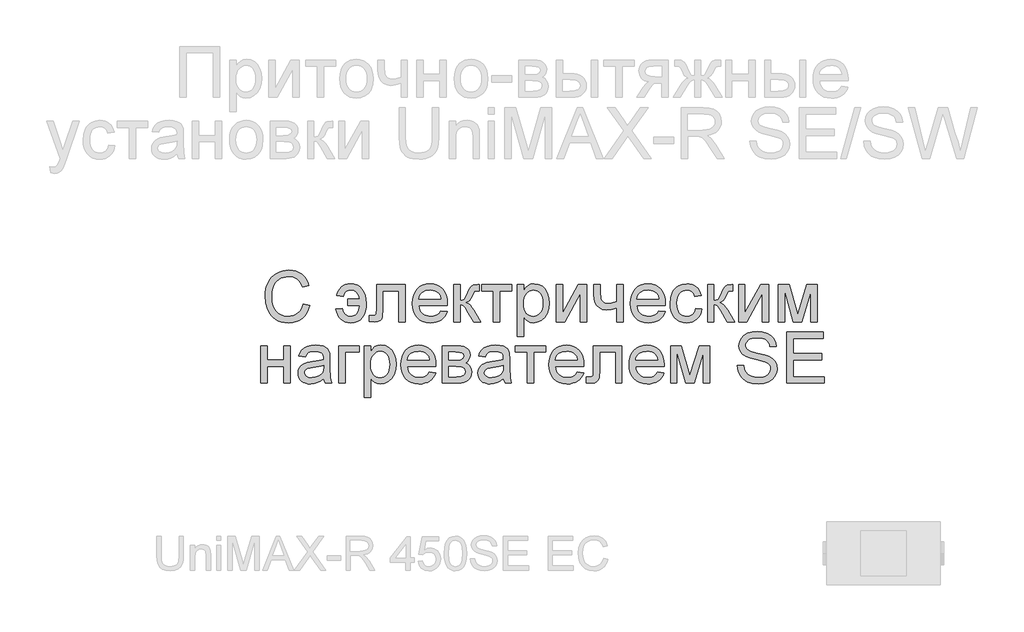
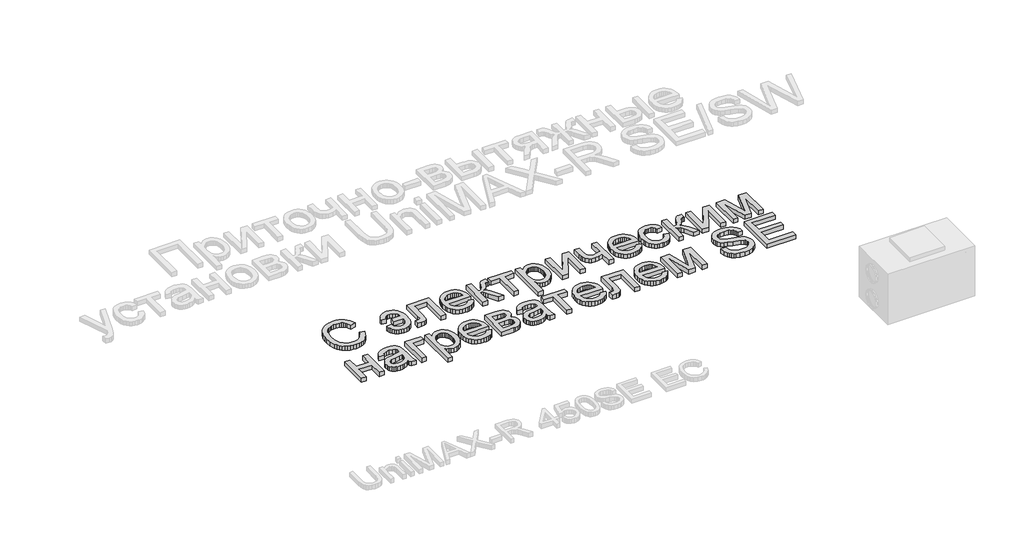
# One storey, part 52 of 74: 1 proxy.
"""IFC4 building model written with IfcOpenShell, lengths in millimetres."""

from ifc_helpers import new_model, si_unit, origin, origin_with_axes, place, context, project, spatial, polyline, outline, extrude, element, save

model = new_model("IFC4")

# Units and contexts
model_context = context("Model", 3, world=origin())
ifc_project = project(units=[si_unit("LENGTHUNIT", "METRE", prefix="MILLI")], contexts=[model_context])

# Site, building, storey
site = spatial("IfcSite", under=ifc_project)
building = spatial("IfcBuilding", under=site)
storey = spatial("IfcBuildingStorey", under=building, Elevation=0.0)

# Proxy
placement = place(None, origin())
element("IfcBuildingElementProxy", 1, Name="Generic Models", at=placement, inside=storey, context=model_context, shape_type="SweptSolid", body=[
    extrude(outline(polyline([(57457.0229457, -25678.9298031), (57513.2299636, -25693.4206749), (57502.107945, -25728.3751002), (57487.2945965, -25758.9177687), (57468.7899178, -25785.0486803), (57446.5939092, -25806.7678349), (57421.2074387, -25823.8419516), (57393.1313747, -25836.0377492), (57362.3657169, -25843.3552278), (57328.9104656, -25845.7943874), (57294.6352999, -25843.9487223), (57263.7152649, -25838.4117273), (57236.1503609, -25829.1834022), (57211.9405876, -25816.2637471), (57190.7531766, -25799.8448758), (57172.2553592, -25780.1189021), (57156.4471354, -25757.0858261), (57143.3285053, -25730.7456477), (57125.6677553, -25672.699826), (57119.7808386, -25610.5372794), (57121.4446816, -25576.6360495), (57126.4362106, -25544.9715735), (57134.7554256, -25515.5438514), (57146.4023266, -25488.3528832), (57161.1161876, -25463.848078), (57178.6362828, -25442.4788449), (57198.9626122, -25424.2451841), (57222.0951758, -25409.1470953), (57247.2483652, -25397.3080805), (57273.6365721, -25388.8516414), (57301.2597964, -25383.7777779), (57330.1180382, -25382.0864901), (57362.2662294, -25384.2752155), (57391.7454106, -25390.8413918), (57418.5555818, -25401.7850189), (57442.6967429, -25417.1060969), (57463.770944, -25436.3998145), (57481.380235, -25459.2613603), (57495.5246157, -25485.6907344), (57506.2040863, -25515.6879368), (57449.9970685, -25529.0810153), (57430.5112371, -25488.0921573), (57418.0924502, -25472.4245883), (57403.8897492, -25459.9749259), (57387.8207995, -25450.4893056), (57369.8032667, -25443.7138624), (57327.9224516, -25438.2935079), (57302.7075113, -25439.7961125), (57279.6469905, -25444.3039263), (57258.740889, -25451.8169494), (57239.9892069, -25462.3351816), (57223.6286558, -25475.3851996), (57209.8959476, -25490.4935802), (57198.791082, -25507.6603232), (57190.3140593, -25526.8854286), (57179.5694072, -25568.0252332), (57175.9878565, -25610.4275001), (57180.2280832, -25662.353124), (57192.9487632, -25707.2528707), (57202.6093444, -25726.6392146), (57214.6301812, -25743.4114381), (57229.0112737, -25757.5695413), (57245.7526218, -25769.1135241), (57283.0638722, -25784.4689082), (57323.3117197, -25789.5873695), (57347.7479128, -25787.8446226), (57370.2286616, -25782.6163819), (57390.753966, -25773.9026475), (57409.3238261, -25761.7034192), (57425.4991245, -25746.0735869), (57438.8407439, -25727.0680401), (57449.3486843, -25704.6867788), (57457.0229457, -25678.9298031)])), origin_with_axes(), (0.0, 0.0, 1.0), 50.0),
    extrude(outline(polyline([(57850.4720707, -25635.0180704), (57955.8602292, -25635.0180704), (57947.2013844, -25603.8819074), (57930.4463139, -25579.1952802), (57906.692811, -25563.0988857), (57877.038669, -25557.7334209), (57851.4600847, -25561.2463595), (57831.4802463, -25571.7851753), (57817.0991538, -25589.3498684), (57808.3168073, -25613.9404387), (57752.1097895, -25606.9145615), (57757.1150409, -25584.7562895), (57765.2146972, -25564.7181308), (57776.4087584, -25546.8000855), (57790.6972246, -25531.0021536), (57807.7576188, -25518.1065127), (57827.2674644, -25508.8953407), (57849.2267614, -25503.3686374), (57873.6355097, -25501.526403), (57904.0066479, -25504.394388), (57931.0089329, -25512.9983432), (57954.6423647, -25527.3382684), (57974.9069432, -25547.4141637), (57991.1645761, -25572.5124634), (58002.7771711, -25601.9196019), (58009.744728, -25635.6355791), (58012.067247, -25673.6603952), (58010.5886566, -25711.2735387), (58004.3964162, -25745.0718505), (57993.4905257, -25775.0553305), (57977.8709852, -25801.2239787), (57958.045524, -25822.2055534), (57934.5218716, -25836.6278132), (57907.3000279, -25844.4907578), (57876.379993, -25845.7943874), (57850.1427327, -25843.7394555), (57826.5401764, -25837.5746599), (57805.572324, -25827.3000006), (57787.2391756, -25812.9154775), (57771.8426243, -25795.1758236), (57759.6845633, -25774.8357718), (57750.7649926, -25751.8953221), (57745.0839122, -25726.3544744), (57801.2909301, -25719.3285972), (57810.1693335, -25750.0668101), (57825.4972727, -25772.0226764), (57847.2747477, -25785.1961962), (57875.5017583, -25789.5873695), (57892.359747, -25788.0504589), (57907.25543, -25783.4397269), (57920.1888076, -25775.7551737), (57931.1598795, -25764.9967992), (57947.3248861, -25734.2585863), (57955.8602292, -25691.2250883), (57850.4720707, -25691.2250883), (57850.4720707, -25635.0180704)])), origin_with_axes(), (0.0, 0.0, 1.0), 50.0),
    extrude(outline(polyline([(58103.403651, -25508.5522802), (58356.3352314, -25508.5522802), (58356.3352314, -25838.4391721), (58300.1282135, -25838.4391721), (58300.1282135, -25564.7592981), (58159.6106689, -25564.7592981), (58159.6106689, -25722.2926391), (58155.8232819, -25794.9665568), (58148.7287926, -25811.4197341), (58135.0200986, -25825.64988), (58114.2169152, -25835.4888526), (58085.8389579, -25838.7685101), (58040.1707559, -25835.9142475), (58040.1707559, -25782.5614923), (58065.3102229, -25782.5614923), (58090.7241382, -25779.1034433), (58097.077617, -25774.6299356), (58100.8787264, -25768.1255101), (58103.403651, -25719.1090385), (58103.403651, -25508.5522802)])), origin_with_axes(), (0.0, 0.0, 1.0), 50.0),
    extrude(outline(polyline([(58671.8410308, -25740.4062289), (58726.9502553, -25747.4321061), (58718.5006774, -25769.504613), (58707.0939187, -25788.9561383), (58692.7299793, -25805.7866821), (58675.4088591, -25819.9962444), (58655.3089495, -25831.2829319), (58632.6086421, -25839.3448516), (58607.3079367, -25844.1820034), (58579.4068335, -25845.7943874), (58544.531312, -25843.0121674), (58513.4568999, -25834.6655076), (58486.1835972, -25820.7544079), (58462.7114038, -25801.2788683), (58443.83622, -25776.7809243), (58430.3539458, -25747.8026114), (58422.2645813, -25714.3439294), (58419.5681264, -25676.4048785), (58422.2920261, -25637.179351), (58430.4637251, -25602.6057227), (58444.0832235, -25572.6839936), (58463.1505211, -25547.4141637), (58486.5609636, -25527.3382684), (58513.2098964, -25512.9983432), (58543.0973195, -25504.394388), (58576.2232328, -25501.526403), (58608.2822283, -25504.3875268), (58637.2742637, -25512.9708983), (58663.199339, -25527.2765175), (58686.0574542, -25547.3043843), (58704.71651, -25572.5193246), (58718.044407, -25602.386164), (58726.0411452, -25636.9049027), (58728.7067246, -25676.0755405), (58728.3773866, -25691.2250883), (58475.7751443, -25691.2250883), (58479.0307876, -25713.654378), (58485.5043376, -25733.2980171), (58495.1957942, -25750.1560058), (58508.1051575, -25764.2283439), (58523.5188618, -25775.3229176), (58540.7233414, -25783.2476131), (58559.7185964, -25788.0024304), (58580.5046268, -25789.5873695), (58610.4194947, -25786.6507724), (58635.6138513, -25777.840981), (58656.0876967, -25762.6090987), (58671.8410308, -25740.4062289)]), holes=[polyline([(58475.7751443, -25635.0180704), (58672.4997068, -25635.0180704), (58664.8974881, -25605.3227612), (58649.9949438, -25584.0804605), (58634.6670046, -25572.5536306), (58617.2258132, -25564.3201808), (58597.6713698, -25559.3801108), (58576.0036742, -25557.7334209), (58538.1160823, -25562.9891064), (58506.7878055, -25578.7561629), (58494.331282, -25590.1560604), (58485.0103306, -25603.3330108), (58478.8249514, -25618.2870141), (58475.7751443, -25635.0180704)])]), origin_with_axes(), (0.0, 0.0, 1.0), 50.0),
    extrude(outline(polyline([(58784.9137425, -25508.5522802), (58841.1207603, -25508.5522802), (58841.1207603, -25649.0698249), (58863.9823062, -25646.5449002), (58878.7750711, -25638.9701263), (58891.8662564, -25619.2098466), (58909.6230633, -25580.1284045), (58923.9355437, -25548.1688966), (58935.2565373, -25529.3554636), (58945.822798, -25519.1048185), (58957.8710796, -25512.8336742), (58998.9834394, -25508.5522802), (59009.7418139, -25508.5522802), (59009.7418139, -25565.0886361), (58994.5922661, -25564.7592981), (58977.027573, -25566.2413191), (58967.1474332, -25570.687382), (58947.8262708, -25607.6830168), (58935.9563805, -25632.3421992), (58925.1568388, -25647.6975832), (58912.0793759, -25657.9482283), (58893.3757222, -25667.2931939), (58911.1874188, -25675.204167), (58928.8344464, -25689.1667258), (58946.316805, -25709.1808702), (58963.6344946, -25735.2466003), (59023.7935684, -25838.7685101), (58959.9019973, -25838.7685101), (58900.9504961, -25737.4421869), (58885.032493, -25710.4776386), (58871.3100766, -25694.5733579), (58857.4504359, -25686.7927477), (58841.1207603, -25684.199211), (58841.1207603, -25838.7685101), (58784.9137425, -25838.7685101), (58784.9137425, -25508.5522802)])), origin_with_axes(), (0.0, 0.0, 1.0), 50.0),
    extrude(outline(polyline([(59030.8194456, -25508.5522802), (59297.8027804, -25508.5522802), (59297.8027804, -25564.7592981), (59192.4146219, -25564.7592981), (59192.4146219, -25838.7685101), (59136.2076041, -25838.7685101), (59136.2076041, -25564.7592981), (59030.8194456, -25564.7592981), (59030.8194456, -25508.5522802)])), origin_with_axes(), (0.0, 0.0, 1.0), 50.0),
    extrude(outline(polyline([(59346.983921, -25965.2343003), (59346.983921, -25508.5522802), (59403.1909389, -25508.5522802), (59403.1909389, -25563.6615048), (59421.5240873, -25536.4773978), (59442.0528223, -25517.0601784), (59465.9847166, -25505.4098469), (59494.5273429, -25501.526403), (59532.5384365, -25506.9604799), (59565.7741292, -25523.2627107), (59592.8347344, -25549.4450813), (59612.3205658, -25584.5195778), (59624.0943992, -25625.9338307), (59628.0190103, -25671.1354706), (59623.5866697, -25719.2050954), (59610.2896482, -25762.1974262), (59588.5533405, -25797.9305987), (59558.8031416, -25824.2227487), (59524.15404, -25840.4014777), (59487.7210243, -25845.7943874), (59461.8817141, -25842.1853918), (59438.814332, -25831.3584052), (59419.0677747, -25815.0150072), (59403.1909389, -25794.8567774), (59403.1909389, -25965.2343003), (59346.983921, -25965.2343003)]), holes=[polyline([(59403.1909389, -25676.2950991), (59404.7106965, -25703.3831492), (59409.2699694, -25726.6838124), (59416.8687575, -25746.1970886), (59427.5070608, -25761.9229779), (59440.313506, -25774.0261492), (59454.4167195, -25782.6712716), (59469.8167014, -25787.858345), (59486.5134517, -25789.5873695), (59503.4503442, -25787.7965942), (59519.1316356, -25782.4242681), (59533.5573259, -25773.4703914), (59546.7274151, -25760.9349639), (59557.7019177, -25744.6395944), (59565.5408481, -25724.4058913), (59570.2442063, -25700.2338547), (59571.8119924, -25672.1234845), (59570.281943, -25645.2687155), (59565.6917947, -25622.0092196), (59558.0415475, -25602.3449968), (59547.3312014, -25586.2760471), (59534.4938808, -25573.7886481), (59520.46271, -25564.8690774), (59505.2376889, -25559.517335), (59488.8188176, -25557.7334209), (59472.4514054, -25559.6305449), (59457.0514235, -25565.3219172), (59442.618872, -25574.8075376), (59429.1537508, -25588.0874061), (59417.7950206, -25604.9831314), (59409.6816418, -25625.316322), (59404.8136146, -25649.0869779), (59403.1909389, -25676.2950991)])]), origin_with_axes(), (0.0, 0.0, 1.0), 50.0),
    extrude(outline(polyline([(59691.2519054, -25508.5522802), (59747.4589232, -25508.5522802), (59747.4589232, -25760.3860673), (59885.5613225, -25508.5522802), (59958.2352401, -25508.5522802), (59958.2352401, -25838.7685101), (59902.0282223, -25838.7685101), (59902.0282223, -25588.4716337), (59764.8040576, -25838.7685101), (59691.2519054, -25838.7685101), (59691.2519054, -25508.5522802)])), origin_with_axes(), (0.0, 0.0, 1.0), 50.0),
    extrude(outline(polyline([(60021.4681352, -25508.5522802), (60077.6751531, -25508.5522802), (60077.6751531, -25571.8949547), (60082.2309954, -25631.2855731), (60089.9841607, -25648.548373), (60104.131972, -25663.4509173), (60123.6726931, -25673.7427297), (60147.6045874, -25677.1733338), (60181.9929631, -25672.9193847), (60225.2185749, -25660.1575374), (60225.2185749, -25508.5522802), (60281.4255928, -25508.5522802), (60281.4255928, -25838.7685101), (60225.2185749, -25838.7685101), (60225.2185749, -25714.0591893), (60177.245007, -25728.5500611), (60132.564819, -25733.3803516), (60098.5743934, -25728.3442248), (60068.8379169, -25713.2358443), (60045.6607555, -25690.8271382), (60031.3482751, -25663.8900347), (60023.9381702, -25633.2341563), (60021.4681352, -25599.6691256), (60021.4681352, -25508.5522802)])), origin_with_axes(), (0.0, 0.0, 1.0), 50.0),
    extrude(outline(polyline([(60596.9313922, -25740.4062289), (60652.0406168, -25747.4321061), (60643.5910388, -25769.504613), (60632.1842801, -25788.9561383), (60617.8203407, -25805.7866821), (60600.4992205, -25819.9962444), (60580.399311, -25831.2829319), (60557.6990035, -25839.3448516), (60532.3982982, -25844.1820034), (60504.4971949, -25845.7943874), (60469.6216734, -25843.0121674), (60438.5472614, -25834.6655076), (60411.2739586, -25820.7544079), (60387.8017653, -25801.2788683), (60368.9265814, -25776.7809243), (60355.4443072, -25747.8026114), (60347.3549427, -25714.3439294), (60344.6584879, -25676.4048785), (60347.3823876, -25637.179351), (60355.5540866, -25602.6057227), (60369.1735849, -25572.6839936), (60388.2408826, -25547.4141637), (60411.6513251, -25527.3382684), (60438.3002579, -25512.9983432), (60468.1876809, -25504.394388), (60501.3135943, -25501.526403), (60533.3725898, -25504.3875268), (60562.3646251, -25512.9708983), (60588.2897005, -25527.2765175), (60611.1478157, -25547.3043843), (60629.8068715, -25572.5193246), (60643.1347685, -25602.386164), (60651.1315067, -25636.9049027), (60653.7970861, -25676.0755405), (60653.4677481, -25691.2250883), (60400.8655057, -25691.2250883), (60404.121149, -25713.654378), (60410.594699, -25733.2980171), (60420.2861556, -25750.1560058), (60433.1955189, -25764.2283439), (60448.6092232, -25775.3229176), (60465.8137029, -25783.2476131), (60484.8089579, -25788.0024304), (60505.5949882, -25789.5873695), (60535.5098561, -25786.6507724), (60560.7042128, -25777.840981), (60581.1780581, -25762.6090987), (60596.9313922, -25740.4062289)]), holes=[polyline([(60400.8655057, -25635.0180704), (60597.5900682, -25635.0180704), (60589.9878495, -25605.3227612), (60575.0853052, -25584.0804605), (60559.757366, -25572.5536306), (60542.3161747, -25564.3201808), (60522.7617312, -25559.3801108), (60501.0940356, -25557.7334209), (60463.2064437, -25562.9891064), (60431.878167, -25578.7561629), (60419.4216434, -25590.1560604), (60410.100692, -25603.3330108), (60403.9153128, -25618.2870141), (60400.8655057, -25635.0180704)])]), origin_with_axes(), (0.0, 0.0, 1.0), 50.0),
    extrude(outline(polyline([(60920.7804209, -25719.3285972), (60976.9874387, -25726.3544744), (60970.8741022, -25752.8764748), (60961.3164391, -25776.3452376), (60948.3144495, -25796.7607627), (60931.8681334, -25814.1230501), (60912.6704727, -25827.9792602), (60891.4144496, -25837.8765531), (60868.100064, -25843.8149288), (60842.727316, -25845.7943874), (60811.2034948, -25843.032751), (60782.9387474, -25834.7478421), (60757.933074, -25820.9396605), (60736.1864745, -25801.6082063), (60718.5840448, -25777.1171235), (60706.0108807, -25747.8300562), (60698.4669823, -25713.7470043), (60695.9523495, -25674.8679678), (60700.2474658, -25624.8497598), (60713.1328149, -25581.5006462), (60722.8482857, -25562.7455335), (60734.8142329, -25546.4947618), (60749.0306564, -25532.7483311), (60765.4975561, -25521.5062414), (60802.2050202, -25506.5213626), (60841.9588607, -25501.526403), (60866.895922, -25503.2417051), (60889.4521441, -25508.3876112), (60909.6275269, -25516.9641215), (60927.4220704, -25528.9712359), (60942.5338816, -25544.1345061), (60954.6610671, -25562.1794838), (60963.8036271, -25583.1061689), (60969.9615615, -25606.9145615), (60913.7545436, -25613.9404387), (60903.5587882, -25589.4184805), (60887.6819523, -25571.840065), (60867.0022707, -25561.2600819), (60842.397978, -25557.7334209), (60823.2998049, -25559.4693065), (60806.0747416, -25564.6769636), (60790.7227882, -25573.356392), (60777.2439446, -25585.5075918), (60766.269442, -25601.4118725), (60758.4305116, -25621.3505436), (60753.7271534, -25645.3236052), (60752.1593673, -25673.3310572), (60753.6928474, -25701.7604735), (60758.2932875, -25726.011414), (60765.9606877, -25746.0838787), (60776.695048, -25761.9778676), (60789.9063044, -25774.0570247), (60805.0043931, -25782.684994), (60821.9893141, -25787.8617756), (60840.8610674, -25789.5873695), (60869.9663127, -25785.2785307), (60893.8295949, -25772.3520144), (60911.1884518, -25750.4784826), (60920.7804209, -25719.3285972)])), origin_with_axes(), (0.0, 0.0, 1.0), 50.0),
    extrude(outline(polyline([(61026.1685793, -25508.5522802), (61082.3755972, -25508.5522802), (61082.3755972, -25649.0698249), (61105.237143, -25646.5449002), (61120.029908, -25638.9701263), (61133.1210933, -25619.2098466), (61150.8779002, -25580.1284045), (61165.1903806, -25548.1688966), (61176.5113742, -25529.3554636), (61187.0776348, -25519.1048185), (61199.1259165, -25512.8336742), (61240.2382762, -25508.5522802), (61250.9966507, -25508.5522802), (61250.9966507, -25565.0886361), (61235.847103, -25564.7592981), (61218.2824099, -25566.2413191), (61208.40227, -25570.687382), (61189.0811076, -25607.6830168), (61177.2112174, -25632.3421992), (61166.4116756, -25647.6975832), (61153.3342127, -25657.9482283), (61134.6305591, -25667.2931939), (61152.4422557, -25675.204167), (61170.0892833, -25689.1667258), (61187.5716418, -25709.1808702), (61204.8893314, -25735.2466003), (61265.0484052, -25838.7685101), (61201.1568341, -25838.7685101), (61142.205333, -25737.4421869), (61126.2873299, -25710.4776386), (61112.5649134, -25694.5733579), (61098.7052728, -25686.7927477), (61082.3755972, -25684.199211), (61082.3755972, -25838.7685101), (61026.1685793, -25838.7685101), (61026.1685793, -25508.5522802)])), origin_with_axes(), (0.0, 0.0, 1.0), 50.0),
    extrude(outline(polyline([(61300.1777914, -25508.5522802), (61356.3848092, -25508.5522802), (61356.3848092, -25760.3860673), (61494.4872086, -25508.5522802), (61567.1611262, -25508.5522802), (61567.1611262, -25838.7685101), (61510.9541083, -25838.7685101), (61510.9541083, -25588.4716337), (61373.7299436, -25838.7685101), (61300.1777914, -25838.7685101), (61300.1777914, -25508.5522802)])), origin_with_axes(), (0.0, 0.0, 1.0), 50.0),
    extrude(outline(polyline([(61651.4716529, -25508.5522802), (61748.1872442, -25508.5522802), (61822.7274105, -25772.9009111), (61903.0858813, -25508.5522802), (61995.7396373, -25508.5522802), (61995.7396373, -25838.7685101), (61939.5326194, -25838.7685101), (61939.5326194, -25572.8829686), (61858.7350313, -25838.7685101), (61784.9633203, -25838.7685101), (61707.6786708, -25560.1485662), (61707.6786708, -25838.7685101), (61651.4716529, -25838.7685101), (61651.4716529, -25508.5522802)])), origin_with_axes(), (0.0, 0.0, 1.0), 50.0),
    extrude(outline(polyline([(57081.1385138, -26048.9843634), (57137.3455317, -26048.9843634), (57137.3455317, -26175.4501536), (57284.8889536, -26175.4501536), (57284.8889536, -26048.9843634), (57341.0959714, -26048.9843634), (57341.0959714, -26379.2005933), (57284.8889536, -26379.2005933), (57284.8889536, -26231.6571714), (57137.3455317, -26231.6571714), (57137.3455317, -26379.2005933), (57081.1385138, -26379.2005933), (57081.1385138, -26048.9843634)])), origin_with_axes(), (0.0, 0.0, 1.0), 50.0),
    extrude(outline(polyline([(57636.1828151, -26337.0453299), (57609.3280461, -26360.0715447), (57581.6773769, -26375.138758), (57552.5995764, -26383.4545424), (57521.4634135, -26386.2264705), (57496.4371564, -26384.5591969), (57474.4915819, -26379.5573761), (57455.6266899, -26371.2210081), (57439.8424803, -26359.5500929), (57427.3790956, -26345.285641), (57418.4766779, -26329.1686629), (57413.1352273, -26311.1991585), (57411.3547437, -26291.3771279), (57414.0443373, -26268.0764647), (57422.1131182, -26246.9164985), (57434.55935, -26228.8029088), (57450.3812962, -26214.641375), (57468.9751705, -26203.9378902), (57489.7371866, -26196.1984473), (57538.3694305, -26187.7454387), (57595.8389107, -26178.8533129), (57635.8534771, -26168.4242764), (57636.1828151, -26155.9094325), (57632.3130937, -26130.8248552), (57620.7039294, -26114.4128451), (57594.7411174, -26102.2273393), (57558.5688276, -26098.165504), (57525.0861314, -26100.8688201), (57501.7031337, -26108.9787682), (57485.7576858, -26123.9773694), (57474.5876388, -26147.3466447), (57418.380621, -26140.3207674), (57428.1372591, -26109.5825545), (57442.6967429, -26085.4311016), (57463.4175918, -26066.960729), (57491.6583249, -26053.2657574), (57526.1976471, -26044.785304), (57565.8142635, -26041.9584862), (57603.8116347, -26044.455966), (57633.9323388, -26051.9484054), (57656.6429381, -26063.2145093), (57672.4099946, -26077.0329827), (57682.866476, -26094.1173912), (57689.6453497, -26115.1813005), (57692.389833, -26164.3624411), (57692.389833, -26234.2918754), (57695.2440956, -26331.940591), (57706.4415874, -26379.2005933), (57650.2345696, -26379.2005933), (57641.2326644, -26359.6598722), (57636.1828151, -26337.0453299)]), holes=[polyline([(57636.1828151, -26224.6312942), (57598.418725, -26233.9899822), (57545.5050871, -26241.8666493), (57497.1472915, -26250.9783338), (57484.5638356, -26257.2083109), (57475.2463148, -26265.7985436), (57469.4828999, -26276.090356), (57467.5617616, -26287.425072), (57471.7470986, -26304.1389752), (57484.3031097, -26317.8339469), (57504.9553464, -26326.9730762), (57533.4293606, -26330.0194527), (57563.6186768, -26326.6574606), (57590.2950545, -26316.5714845), (57611.9215828, -26301.7101075), (57626.9613513, -26284.0219127), (57633.6304457, -26265.7985436), (57635.8534771, -26240.5492973), (57636.1828151, -26224.6312942)])]), origin_with_axes(), (0.0, 0.0, 1.0), 50.0),
    extrude(outline(polyline([(57769.6744825, -26048.9843634), (57952.3472905, -26048.9843634), (57952.3472905, -26105.1913813), (57825.8815004, -26105.1913813), (57825.8815004, -26379.2005933), (57769.6744825, -26379.2005933), (57769.6744825, -26048.9843634)])), origin_with_axes(), (0.0, 0.0, 1.0), 50.0),
    extrude(outline(polyline([(57994.5025539, -26505.6663835), (57994.5025539, -26048.9843634), (58050.7095718, -26048.9843634), (58050.7095718, -26104.093588), (58069.0427202, -26076.9094809), (58089.5714552, -26057.4922616), (58113.5033495, -26045.84193), (58142.0459758, -26041.9584862), (58180.0570694, -26047.3925631), (58213.2927621, -26063.6947939), (58240.3533674, -26089.8771645), (58259.8391988, -26124.951661), (58271.6130321, -26166.3659139), (58275.5376432, -26211.5675537), (58271.1053027, -26259.6371786), (58257.8082811, -26302.6295094), (58236.0719734, -26338.3626819), (58206.3217745, -26364.6548318), (58171.672673, -26380.8335609), (58135.2396572, -26386.2264705), (58109.400347, -26382.617475), (58086.3329649, -26371.7904884), (58066.5864076, -26355.4470904), (58050.7095718, -26335.2888606), (58050.7095718, -26505.6663835), (57994.5025539, -26505.6663835)]), holes=[polyline([(58050.7095718, -26216.7271823), (58052.2293294, -26243.8152324), (58056.7886023, -26267.1158956), (58064.3873904, -26286.6291718), (58075.0256938, -26302.3550611), (58087.8321389, -26314.4582324), (58101.9353525, -26323.1033548), (58117.3353343, -26328.2904282), (58134.0320846, -26330.0194527), (58150.9689771, -26328.2286773), (58166.6502685, -26322.8563513), (58181.0759588, -26313.9024745), (58194.246048, -26301.3670471), (58205.2205506, -26285.0716775), (58213.059481, -26264.8379745), (58217.7628393, -26240.6659378), (58219.3306253, -26212.5555677), (58217.8005759, -26185.7007987), (58213.2104276, -26162.4413028), (58205.5601804, -26142.77708), (58194.8498344, -26126.7081303), (58182.0125138, -26114.2207313), (58167.9813429, -26105.3011606), (58152.7563219, -26099.9494182), (58136.3374505, -26098.165504), (58119.9700383, -26100.0626281), (58104.5700564, -26105.7540003), (58090.1375049, -26115.2396207), (58076.6723837, -26128.5194893), (58065.3136535, -26145.4152145), (58057.2002748, -26165.7484051), (58052.3322475, -26189.5190611), (58050.7095718, -26216.7271823)])]), origin_with_axes(), (0.0, 0.0, 1.0), 50.0),
    extrude(outline(polyline([(58569.9658109, -26280.8383121), (58625.0750355, -26287.8641893), (58616.6254575, -26309.9366962), (58605.2186988, -26329.3882215), (58590.8547594, -26346.2187653), (58573.5336392, -26360.4283276), (58553.4337297, -26371.7150151), (58530.7334223, -26379.7769348), (58505.4327169, -26384.6140866), (58477.5316136, -26386.2264705), (58442.6560922, -26383.4442506), (58411.5816801, -26375.0975908), (58384.3083773, -26361.1864911), (58360.836184, -26341.7109515), (58341.9610001, -26317.2130075), (58328.4787259, -26288.2346945), (58320.3893614, -26254.7760126), (58317.6929066, -26216.8369617), (58320.4168063, -26177.6114342), (58328.5885053, -26143.0378059), (58342.2080036, -26113.1160768), (58361.2753013, -26087.8462469), (58384.6857438, -26067.7703516), (58411.3346766, -26053.4304264), (58441.2220996, -26044.8264712), (58474.348013, -26041.9584862), (58506.4070085, -26044.81961), (58535.3990438, -26053.4029815), (58561.3241192, -26067.7086007), (58584.1822344, -26087.7364675), (58602.8412902, -26112.9514078), (58616.1691872, -26142.8182472), (58624.1659254, -26177.3369858), (58626.8315048, -26216.5076237), (58626.5021668, -26231.6571714), (58373.8999244, -26231.6571714), (58377.1555677, -26254.0864612), (58383.6291177, -26273.7301003), (58393.3205743, -26290.588089), (58406.2299376, -26304.660427), (58421.6436419, -26315.7550008), (58438.8481216, -26323.6796963), (58457.8433766, -26328.4345136), (58478.6294069, -26330.0194527), (58508.5442748, -26327.0828556), (58533.7386315, -26318.2730642), (58554.2124768, -26303.0411819), (58569.9658109, -26280.8383121)]), holes=[polyline([(58373.8999244, -26175.4501536), (58570.6244869, -26175.4501536), (58563.0222682, -26145.7548443), (58548.1197239, -26124.5125437), (58532.7917847, -26112.9857138), (58515.3505934, -26104.7522639), (58495.7961499, -26099.812194), (58474.1284543, -26098.165504), (58436.2408625, -26103.4211895), (58404.9125857, -26119.1882461), (58392.4560621, -26130.5881435), (58383.1351107, -26143.765094), (58376.9497315, -26158.7190973), (58373.8999244, -26175.4501536)])]), origin_with_axes(), (0.0, 0.0, 1.0), 50.0),
    extrude(outline(polyline([(58683.0385226, -26048.9843634), (58806.8696088, -26048.9843634), (58846.678339, -26050.8643345), (58874.7681255, -26056.5042476), (58895.4340847, -26067.1528428), (58912.971333, -26084.0588599), (58924.9510025, -26106.0833383), (58928.9442257, -26132.0873175), (58926.5290804, -26153.0414475), (58919.2836445, -26171.11387), (58907.1804732, -26186.3869195), (58890.1921216, -26198.9429306), (58910.995305, -26210.620707), (58927.9562117, -26229.4066951), (58939.2360381, -26253.818874), (58942.9959802, -26282.3752227), (58939.8741304, -26305.3808539), (58933.4726232, -26325.2166069), (58923.7914583, -26341.8824817), (58910.830636, -26355.3784783), (58894.5695725, -26365.8006536), (58874.9876842, -26373.2450646), (58852.0849711, -26377.7117111), (58825.8614332, -26379.2005933), (58683.0385226, -26379.2005933), (58683.0385226, -26048.9843634)]), holes=[polyline([(58739.2455405, -26175.4501536), (58794.7938823, -26175.4501536), (58840.6267533, -26172.595891), (58862.9119577, -26161.1788405), (58870.2808953, -26151.7378179), (58872.7372079, -26140.5403261), (58868.4283691, -26123.7715332), (58855.5018528, -26112.9857138), (58832.1463, -26107.1399644), (58796.5503516, -26105.1913813), (58739.2455405, -26105.1913813), (58739.2455405, -26175.4501536)]), polyline([(58739.2455405, -26322.9935754), (58808.1869608, -26322.9935754), (58845.7589371, -26320.4549284), (58869.3340486, -26312.8389873), (58881.9861166, -26298.993069), (58886.7889623, -26277.7644908), (58884.3875395, -26263.6990139), (58877.1832708, -26250.7038855), (58866.1230031, -26240.5355749), (58852.1535832, -26234.9505514), (58802.6979942, -26231.6571714), (58739.2455405, -26231.6571714), (58739.2455405, -26322.9935754)])]), origin_with_axes(), (0.0, 0.0, 1.0), 50.0),
    extrude(outline(polyline([(59224.0310695, -26337.0453299), (59197.1763004, -26360.0715447), (59169.5256312, -26375.138758), (59140.4478307, -26383.4545424), (59109.3116678, -26386.2264705), (59084.2854108, -26384.5591969), (59062.3398362, -26379.5573761), (59043.4749442, -26371.2210081), (59027.6907346, -26359.5500929), (59015.2273499, -26345.285641), (59006.3249322, -26329.1686629), (59000.9834816, -26311.1991585), (58999.202998, -26291.3771279), (59001.8925917, -26268.0764647), (59009.9613726, -26246.9164985), (59022.4076043, -26228.8029088), (59038.2295505, -26214.641375), (59056.8234248, -26203.9378902), (59077.5854409, -26196.1984473), (59126.2176849, -26187.7454387), (59183.687165, -26178.8533129), (59223.7017315, -26168.4242764), (59224.0310695, -26155.9094325), (59220.161348, -26130.8248552), (59208.5521837, -26114.4128451), (59182.5893717, -26102.2273393), (59146.4170819, -26098.165504), (59112.9343857, -26100.8688201), (59089.5513881, -26108.9787682), (59073.6059401, -26123.9773694), (59062.4358931, -26147.3466447), (59006.2288753, -26140.3207674), (59015.9855134, -26109.5825545), (59030.5449973, -26085.4311016), (59051.2658461, -26066.960729), (59079.5065792, -26053.2657574), (59114.0459015, -26044.785304), (59153.6625178, -26041.9584862), (59191.659889, -26044.455966), (59221.7805932, -26051.9484054), (59244.4911924, -26063.2145093), (59260.2582489, -26077.0329827), (59270.7147303, -26094.1173912), (59277.493604, -26115.1813005), (59280.2380873, -26164.3624411), (59280.2380873, -26234.2918754), (59283.0923499, -26331.940591), (59294.2898418, -26379.2005933), (59238.0828239, -26379.2005933), (59229.0809187, -26359.6598722), (59224.0310695, -26337.0453299)]), holes=[polyline([(59224.0310695, -26224.6312942), (59186.2669793, -26233.9899822), (59133.3533414, -26241.8666493), (59084.9955458, -26250.9783338), (59072.4120899, -26257.2083109), (59063.0945691, -26265.7985436), (59057.3311542, -26276.090356), (59055.4100159, -26287.425072), (59059.5953529, -26304.1389752), (59072.151364, -26317.8339469), (59092.8036008, -26326.9730762), (59121.2776149, -26330.0194527), (59151.4669312, -26326.6574606), (59178.1433088, -26316.5714845), (59199.7698371, -26301.7101075), (59214.8096056, -26284.0219127), (59221.4787, -26265.7985436), (59223.7017315, -26240.5492973), (59224.0310695, -26224.6312942)])]), origin_with_axes(), (0.0, 0.0, 1.0), 50.0),
    extrude(outline(polyline([(59329.4192279, -26048.9843634), (59596.4025627, -26048.9843634), (59596.4025627, -26105.1913813), (59491.0144043, -26105.1913813), (59491.0144043, -26379.2005933), (59434.8073864, -26379.2005933), (59434.8073864, -26105.1913813), (59329.4192279, -26105.1913813), (59329.4192279, -26048.9843634)])), origin_with_axes(), (0.0, 0.0, 1.0), 50.0),
    extrude(outline(polyline([(59876.778976, -26280.8383121), (59931.8882005, -26287.8641893), (59923.4386226, -26309.9366962), (59912.0318639, -26329.3882215), (59897.6679245, -26346.2187653), (59880.3468043, -26360.4283276), (59860.2468948, -26371.7150151), (59837.5465873, -26379.7769348), (59812.245882, -26384.6140866), (59784.3447787, -26386.2264705), (59749.4692572, -26383.4442506), (59718.3948451, -26375.0975908), (59691.1215424, -26361.1864911), (59667.649349, -26341.7109515), (59648.7741652, -26317.2130075), (59635.291891, -26288.2346945), (59627.2025265, -26254.7760126), (59624.5060717, -26216.8369617), (59627.2299713, -26177.6114342), (59635.4016703, -26143.0378059), (59649.0211687, -26113.1160768), (59668.0884664, -26087.8462469), (59691.4989088, -26067.7703516), (59718.1478416, -26053.4304264), (59748.0352647, -26044.8264712), (59781.161178, -26041.9584862), (59813.2201735, -26044.81961), (59842.2122089, -26053.4029815), (59868.1372842, -26067.7086007), (59890.9953995, -26087.7364675), (59909.6544552, -26112.9514078), (59922.9823522, -26142.8182472), (59930.9790904, -26177.3369858), (59933.6446698, -26216.5076237), (59933.3153318, -26231.6571714), (59680.7130895, -26231.6571714), (59683.9687328, -26254.0864612), (59690.4422828, -26273.7301003), (59700.1337394, -26290.588089), (59713.0431027, -26304.660427), (59728.456807, -26315.7550008), (59745.6612866, -26323.6796963), (59764.6565416, -26328.4345136), (59785.442572, -26330.0194527), (59815.3574399, -26327.0828556), (59840.5517965, -26318.2730642), (59861.0256419, -26303.0411819), (59876.778976, -26280.8383121)]), holes=[polyline([(59680.7130895, -26175.4501536), (59877.437652, -26175.4501536), (59869.8354333, -26145.7548443), (59854.932889, -26124.5125437), (59839.6049498, -26112.9857138), (59822.1637585, -26104.7522639), (59802.609315, -26099.812194), (59780.9416194, -26098.165504), (59743.0540275, -26103.4211895), (59711.7257507, -26119.1882461), (59699.2692272, -26130.5881435), (59689.9482758, -26143.765094), (59683.7628966, -26158.7190973), (59680.7130895, -26175.4501536)])]), origin_with_axes(), (0.0, 0.0, 1.0), 50.0),
    extrude(outline(polyline([(60017.9551966, -26048.9843634), (60270.886777, -26048.9843634), (60270.886777, -26378.8712553), (60214.6797591, -26378.8712553), (60214.6797591, -26105.1913813), (60074.1622145, -26105.1913813), (60074.1622145, -26262.7247223), (60070.3748275, -26335.3986399), (60063.2803382, -26351.8518173), (60049.5716442, -26366.0819632), (60028.7684608, -26375.9209358), (60000.3905035, -26379.2005933), (59954.7223015, -26376.3463307), (59954.7223015, -26322.9935754), (59979.8617685, -26322.9935754), (60005.2756838, -26319.5355265), (60011.6291626, -26315.0620187), (60015.430272, -26308.5575933), (60017.9551966, -26259.5411217), (60017.9551966, -26048.9843634)])), origin_with_axes(), (0.0, 0.0, 1.0), 50.0),
    extrude(outline(polyline([(60586.3925764, -26280.8383121), (60641.5018009, -26287.8641893), (60633.052223, -26309.9366962), (60621.6454643, -26329.3882215), (60607.2815248, -26346.2187653), (60589.9604047, -26360.4283276), (60569.8604951, -26371.7150151), (60547.1601877, -26379.7769348), (60521.8594823, -26384.6140866), (60493.9583791, -26386.2264705), (60459.0828576, -26383.4442506), (60428.0084455, -26375.0975908), (60400.7351428, -26361.1864911), (60377.2629494, -26341.7109515), (60358.3877656, -26317.2130075), (60344.9054914, -26288.2346945), (60336.8161269, -26254.7760126), (60334.119672, -26216.8369617), (60336.8435717, -26177.6114342), (60345.0152707, -26143.0378059), (60358.6347691, -26113.1160768), (60377.7020667, -26087.8462469), (60401.1125092, -26067.7703516), (60427.761442, -26053.4304264), (60457.6488651, -26044.8264712), (60490.7747784, -26041.9584862), (60522.8337739, -26044.81961), (60551.8258093, -26053.4029815), (60577.7508846, -26067.7086007), (60600.6089998, -26087.7364675), (60619.2680556, -26112.9514078), (60632.5959526, -26142.8182472), (60640.5926908, -26177.3369858), (60643.2582702, -26216.5076237), (60642.9289322, -26231.6571714), (60390.3266899, -26231.6571714), (60393.5823332, -26254.0864612), (60400.0558832, -26273.7301003), (60409.7473398, -26290.588089), (60422.6567031, -26304.660427), (60438.0704074, -26315.7550008), (60455.274887, -26323.6796963), (60474.270142, -26328.4345136), (60495.0561724, -26330.0194527), (60524.9710403, -26327.0828556), (60550.1653969, -26318.2730642), (60570.6392423, -26303.0411819), (60586.3925764, -26280.8383121)]), holes=[polyline([(60390.3266899, -26175.4501536), (60587.0512524, -26175.4501536), (60579.4490336, -26145.7548443), (60564.5464894, -26124.5125437), (60549.2185502, -26112.9857138), (60531.7773588, -26104.7522639), (60512.2229154, -26099.812194), (60490.5552198, -26098.165504), (60452.6676279, -26103.4211895), (60421.3393511, -26119.1882461), (60408.8828276, -26130.5881435), (60399.5618762, -26143.765094), (60393.3764969, -26158.7190973), (60390.3266899, -26175.4501536)])]), origin_with_axes(), (0.0, 0.0, 1.0), 50.0),
    extrude(outline(polyline([(60699.4652881, -26048.9843634), (60796.1808793, -26048.9843634), (60870.7210456, -26313.3329943), (60951.0795164, -26048.9843634), (61043.7332724, -26048.9843634), (61043.7332724, -26379.2005933), (60987.5262546, -26379.2005933), (60987.5262546, -26113.3150518), (60906.7286664, -26379.2005933), (60832.9569555, -26379.2005933), (60755.6723059, -26100.5806493), (60755.6723059, -26379.2005933), (60699.4652881, -26379.2005933), (60699.4652881, -26048.9843634)])), origin_with_axes(), (0.0, 0.0, 1.0), 50.0),
    extrude(outline(polyline([(61289.6389755, -26224.6312942), (61345.8459934, -26224.6312942), (61352.2955291, -26255.8223468), (61363.9595831, -26280.8932017), (61382.1555073, -26300.7907056), (61408.2006538, -26316.4617052), (61440.03666, -26326.6300158), (61475.6051635, -26330.0194527), (61506.9197179, -26327.4533608), (61534.337106, -26319.7550852), (61556.5536982, -26307.5695793), (61572.2658651, -26291.5417969), (61581.6108307, -26273.1400364), (61584.7258192, -26253.8325964), (61582.3930084, -26235.0191635), (61575.394576, -26218.7581), (61561.1781526, -26204.8847369), (61537.1913686, -26193.2344053), (61455.3508768, -26171.772546), (61401.6276163, -26157.5698449), (61367.2529631, -26144.0532647), (61339.2729559, -26125.1437748), (61319.4440641, -26102.2273393), (61307.6290635, -26075.7979652), (61303.69073, -26046.3496595), (61308.5621878, -26013.4295823), (61323.1765614, -25982.7325367), (61347.1496229, -25956.7148351), (61380.0971449, -25937.83279), (61419.6451491, -25926.3471274), (61463.4196577, -25922.5185733), (61510.844329, -25926.5255189), (61552.3409164, -25938.5463557), (61586.4273989, -25958.3340802), (61611.6217555, -25985.641689), (61627.5672035, -26018.7676024), (61633.9069599, -26056.0102406), (61577.699942, -26056.0102406), (61573.9399999, -26038.0750423), (61567.3806848, -26022.4726548), (61558.0219968, -26009.2030781), (61545.8639358, -25998.2663122), (61530.680082, -25989.7172467), (61512.2440155, -25983.6107714), (61465.6152443, -25978.7255911), (61417.8886798, -25983.5558817), (61399.6447271, -25989.5937449), (61385.1469941, -25998.0467535), (61366.2100594, -26019.3713887), (61361.4758257, -26031.5363109), (61359.8977478, -26044.7029695), (61364.3712556, -26066.302053), (61377.7917789, -26083.6746322), (61409.5180058, -26099.2084077), (61469.5673002, -26115.0715211), (61531.537733, -26130.1387344), (61569.0273748, -26143.2848094), (61601.0692173, -26163.6763203), (61623.4230337, -26188.8432321), (61636.5553862, -26218.5110965), (61640.9328371, -26252.4054651), (61635.8967103, -26287.0545667), (61620.7883297, -26319.6453058), (61596.2252042, -26347.6939251), (61562.8248426, -26368.7166671), (61522.6593296, -26381.8490197), (61477.8007501, -26386.2264705), (61422.7326928, -26381.5059593), (61377.4075512, -26367.3444255), (61358.2682109, -26356.7095527), (61341.3038735, -26343.6869795), (61326.5145392, -26328.2767058), (61313.9002078, -26310.4787316), (61296.3080699, -26270.0250479), (61289.6389755, -26224.6312942)])), origin_with_axes(), (0.0, 0.0, 1.0), 50.0),
    extrude(outline(polyline([(61725.2433639, -26379.2005933), (61725.2433639, -25929.5444505), (62048.4337165, -25929.5444505), (62048.4337165, -25985.7514683), (61781.4503817, -25985.7514683), (61781.4503817, -26119.2431357), (62034.3819621, -26119.2431357), (62034.3819621, -26175.4501536), (61781.4503817, -26175.4501536), (61781.4503817, -26322.9935754), (62055.4595938, -26322.9935754), (62055.4595938, -26379.2005933), (61725.2433639, -26379.2005933)])), origin_with_axes(), (0.0, 0.0, 1.0), 50.0),
])

save(model, "model.ifc")
